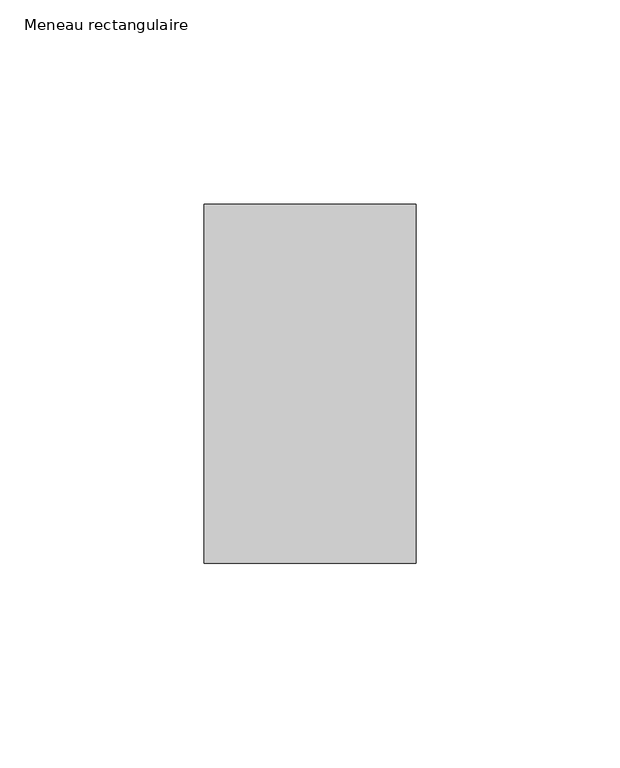
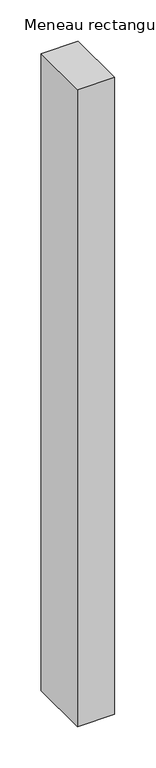
"""IFC4 building model written with IfcOpenShell, lengths in millimetres: member geometry, Meneau rectangulaire."""

from ifc_helpers import new_model, si_unit, frame, origin, place, context, project, spatial, polyline, outline, extrude, source, transform, mapped, element, save


def meneau_rectangulaire_61012832(model_context):
    return source(origin(), model_context, "Body", "SweptSolid", [
        extrude(outline(polyline([(-52.0, 44.0), (0.0, 44.0), (0.0, -44.0), (-52.0, -44.0), (-52.0, 44.0)])), frame((0.0, 0.0, -942.1707161), z_axis=(0.0, 0.0, 1.0), x_axis=(1.0, 0.0, 0.0)), (0.0, 0.0, 1.0), 942.1707161),
    ])


if __name__ == "__main__":
    model = new_model("IFC4")
    model_context = context("Model", 3, world=origin())
    ifc_project = project(units=[si_unit("LENGTHUNIT", "METRE", prefix="MILLI")], contexts=[model_context])
    site = spatial("IfcSite", under=ifc_project)
    building = spatial("IfcBuilding", under=site)
    placement = place(None, origin())
    meneau_rectangulaire_shape = meneau_rectangulaire_61012832(model_context)
    element("IfcMember", 1, ObjectType="Meneau rectangulaire", at=placement, inside=building, context=model_context, shape_type="MappedRepresentation", body=[
        mapped(meneau_rectangulaire_shape, transform((0.0, 0.0, 0.0), x_axis=(1.0, 0.0, 0.0), y_axis=(0.0, 1.0, 0.0), z_axis=(0.0, 0.0, 1.0))),
    ])
    save(model, "model.ifc")
